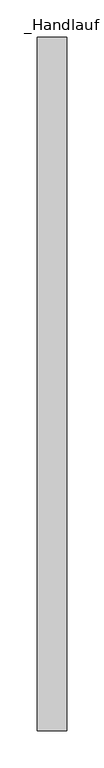
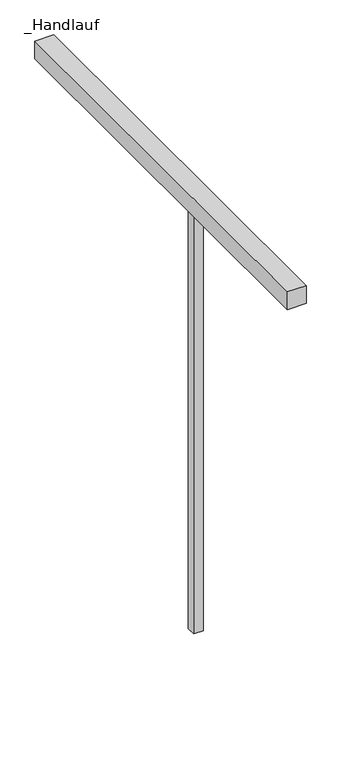
"""IFC4 building model written with IfcOpenShell, lengths in millimetres: railing geometry, _Handlauf."""

from ifc_helpers import new_model, si_unit, frame, origin, place, context, project, spatial, polyline, outline, extrude, source, transform, mapped, element, save


def handlauf_a9b586fa(model_context):
    return source(origin(), model_context, "Body", "SweptSolid", [
        extrude(outline(polyline([(8940.0, 3237.4), (8980.0, 3237.4), (8980.0, 2300.0), (8940.0, 2300.0), (8940.0, 3237.4)])), frame((0.0, 0.0, 4460.0), z_axis=(0.0, 0.0, 1.0), x_axis=(1.0, 0.0, 0.0)), (0.0, 0.0, 1.0), 40.0),
        extrude(outline(polyline([(8950.0, 2684.96), (8970.0, 2684.96), (8970.0, 2664.96), (8950.0, 2664.96), (8950.0, 2684.96)])), frame((0.0, 0.0, 3500.0), z_axis=(0.0, 0.0, 1.0), x_axis=(1.0, 0.0, 0.0)), (0.0, 0.0, 1.0), 960.0),
    ])


if __name__ == "__main__":
    model = new_model("IFC4")
    model_context = context("Model", 3, world=origin())
    ifc_project = project(units=[si_unit("LENGTHUNIT", "METRE", prefix="MILLI")], contexts=[model_context])
    site = spatial("IfcSite", under=ifc_project)
    building = spatial("IfcBuilding", under=site)
    placement = place(None, origin())
    handlauf_shape = handlauf_a9b586fa(model_context)
    element("IfcRailing", 1, ObjectType="_Handlauf", at=placement, inside=building, context=model_context, shape_type="MappedRepresentation", body=[
        mapped(handlauf_shape, transform((0.0, 0.0, 0.0), x_axis=(1.0, 0.0, 0.0), y_axis=(0.0, 1.0, 0.0), z_axis=(0.0, 0.0, 1.0))),
    ])
    save(model, "model.ifc")
